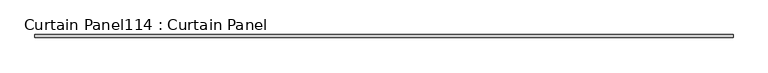
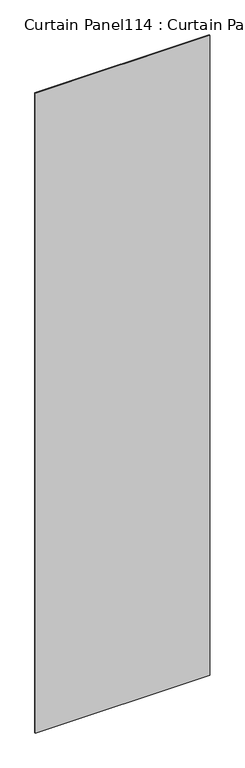
"""IFC4 building model written with IfcOpenShell, lengths in millimetres: plate geometry, Curtain Panel114 : Curtain Panel."""

from ifc_helpers import new_model, si_unit, frame, origin, place, context, project, spatial, polyline, outline, extrude, source, transform, mapped, element, save


def curtain_panel114_curtain_panel_fbec81ca(model_context):
    return source(origin(), model_context, "Body", "SweptSolid", [
        extrude(outline(polyline([(256984.1386393, 2360.4734836), (255397.1015716, 2360.4734836), (255397.1015716, 2366.8234836), (256984.1386393, 2366.8234836), (256984.1386393, 2360.4734836)])), frame((0.0, 0.0, 4914.2249337), z_axis=(0.0, 0.0, 1.0), x_axis=(1.0, 0.0, 0.0)), (0.0, 0.0, 1.0), 6150.8979519),
    ])


if __name__ == "__main__":
    model = new_model("IFC4")
    model_context = context("Model", 3, world=origin())
    ifc_project = project(units=[si_unit("LENGTHUNIT", "METRE", prefix="MILLI")], contexts=[model_context])
    site = spatial("IfcSite", under=ifc_project)
    building = spatial("IfcBuilding", under=site)
    placement = place(None, origin())
    curtain_panel114_curtain_panel_shape = curtain_panel114_curtain_panel_fbec81ca(model_context)
    element("IfcPlate", 1, ObjectType="Curtain Panel114 : Curtain Panel", at=placement, inside=building, context=model_context, shape_type="MappedRepresentation", body=[
        mapped(curtain_panel114_curtain_panel_shape, transform((0.0, 0.0, 0.0), x_axis=(1.0, 0.0, 0.0), y_axis=(0.0, 1.0, 0.0), z_axis=(0.0, 0.0, 1.0))),
    ])
    save(model, "model.ifc")
